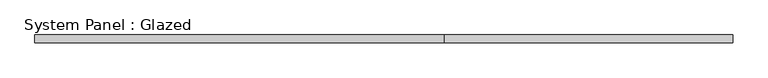
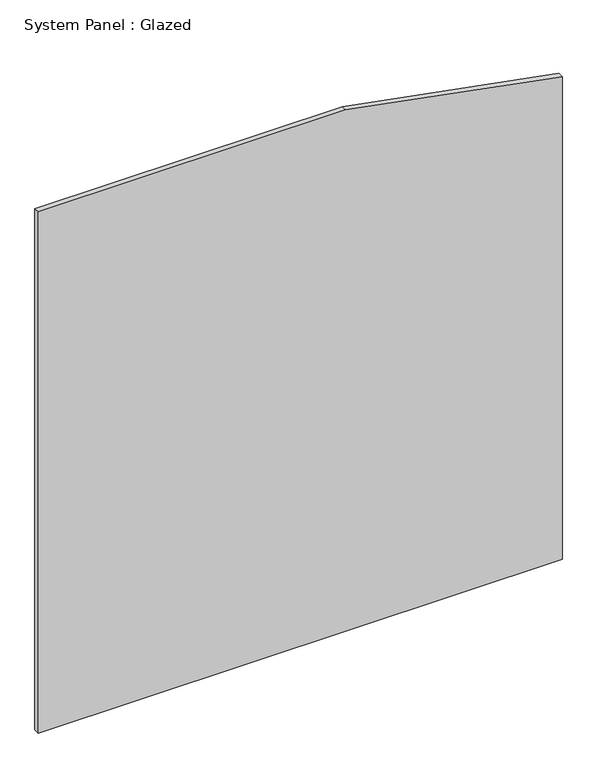
"""IFC4 building model written with IfcOpenShell, lengths in millimetres: plate geometry, System Panel : Glazed."""

from ifc_helpers import new_model, si_unit, frame, origin, place, context, project, spatial, polyline, outline, extrude, source, transform, mapped, element, save


def system_panel_glazed_73c17a68(model_context):
    return source(origin(), model_context, "Body", "SweptSolid", [
        extrude(outline(polyline([(0.0, -1141.6340625), (0.0, 1141.6340625), (2223.184649, 1141.6340625), (2400.0, 198.290662), (2400.0, -1141.6340625), (0.0, -1141.6340625)])), frame((0.0, 24.5, 0.0), z_axis=(0.0, 1.0, 0.0), x_axis=(0.0, 0.0, 1.0)), (0.0, 0.0, 1.0), 25.0),
    ])


if __name__ == "__main__":
    model = new_model("IFC4")
    model_context = context("Model", 3, world=origin())
    ifc_project = project(units=[si_unit("LENGTHUNIT", "METRE", prefix="MILLI")], contexts=[model_context])
    site = spatial("IfcSite", under=ifc_project)
    building = spatial("IfcBuilding", under=site)
    placement = place(None, origin())
    system_panel_glazed_shape = system_panel_glazed_73c17a68(model_context)
    element("IfcPlate", 1, ObjectType="System Panel : Glazed", at=placement, inside=building, context=model_context, shape_type="MappedRepresentation", body=[
        mapped(system_panel_glazed_shape, transform((0.0, 0.0, 0.0), x_axis=(1.0, 0.0, 0.0), y_axis=(0.0, 1.0, 0.0), z_axis=(0.0, 0.0, 1.0))),
    ])
    save(model, "model.ifc")
